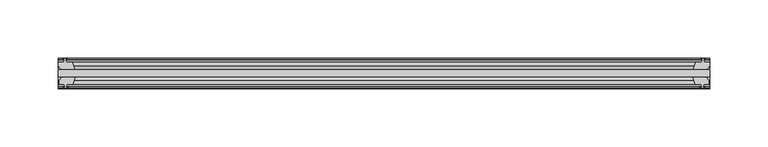
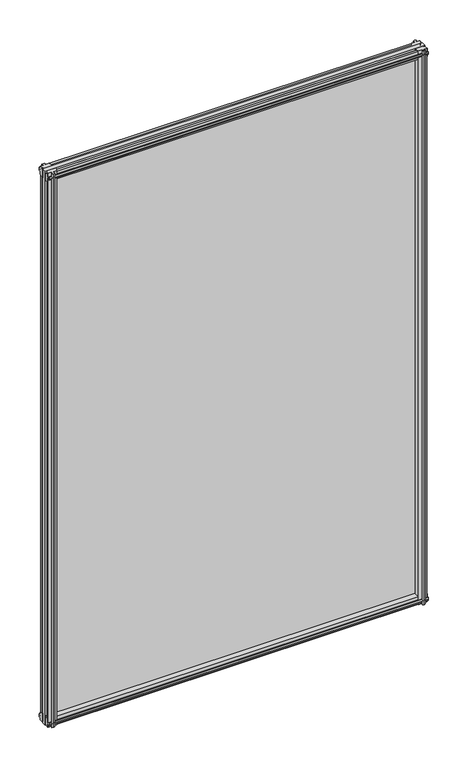
"""IFC4 building model written with IfcOpenShell, lengths in millimetres: plate geometry."""

from ifc_helpers import new_model, si_unit, frame, origin, place, context, project, spatial, polyline, outline, extrude, source, transform, mapped, element, save


def plate_fb738f77(model_context):
    return source(origin(), model_context, "Body", "SweptSolid", [
        extrude(outline(polyline([(-301.625, -19.5460937), (258.2664063, -19.5460937), (258.2664063, -25.8960937), (-301.625, -25.8960937), (-301.625, -19.5460937)])), frame((0.0, 0.0, -12.7), z_axis=(0.0, 0.0, 1.0), x_axis=(1.0, 0.0, 0.0)), (0.0, 0.0, 1.0), 863.6),
        extrude(outline(polyline([(255.29171, -25.8960937), (257.5044063, -29.2996938), (257.5044063, -32.2460938), (253.0594063, -32.2460938), (252.6784063, -34.6262907), (254.0939353, -34.1663575), (254.0939353, -34.9675717), (251.9164063, -35.6750938), (249.7388772, -34.9675717), (249.7388772, -34.1663575), (251.1544063, -34.6262907), (250.7734063, -32.2460938), (245.5664063, -32.2460938), (243.4611292, -25.8960937), (255.29171, -25.8960937)])), frame((0.0, 0.0, -12.7), z_axis=(0.0, 0.0, 1.0), x_axis=(1.0, 0.0, 0.0)), (0.0, 0.0, 1.0), 863.6),
        extrude(outline(polyline([(250.2595772, -10.4746158), (252.4371062, -9.7670938), (254.6146353, -10.4746158), (254.6146353, -11.27583), (253.1991062, -10.8158968), (253.5801062, -13.1960938), (258.0251062, -13.1960938), (258.0251062, -16.1424938), (255.81241, -19.5460937), (243.9818292, -19.5460937), (246.0871062, -13.1960938), (251.2941062, -13.1960938), (251.6751062, -10.8158968), (250.2595772, -11.27583), (250.2595772, -10.4746158)])), frame((0.0, 0.0, -12.7), z_axis=(0.0, 0.0, 1.0), x_axis=(1.0, 0.0, 0.0)), (0.0, 0.0, 1.0), 863.6),
        extrude(outline(polyline([(-286.8197229, -25.8960937), (-288.925, -32.2460937), (-294.132, -32.2460937), (-294.513, -34.6262907), (-293.0974709, -34.1663575), (-293.0974709, -34.9675717), (-295.275, -35.6750937), (-297.4525291, -34.9675717), (-297.4525291, -34.1663575), (-296.037, -34.6262907), (-296.418, -32.2460937), (-300.863, -32.2460937), (-300.863, -29.2996937), (-298.6503038, -25.8960937), (-286.8197229, -25.8960937)])), frame((0.0, 0.0, -12.7), z_axis=(0.0, 0.0, 1.0), x_axis=(1.0, 0.0, 0.0)), (0.0, 0.0, 1.0), 863.6),
        extrude(outline(polyline([(-296.5577, -10.8158968), (-297.973229, -11.27583), (-297.973229, -10.4746158), (-295.7957, -9.7670937), (-293.6181709, -10.4746158), (-293.6181709, -11.27583), (-295.0337, -10.8158968), (-294.6527, -13.1960937), (-289.4457, -13.1960937), (-287.3404229, -19.5460937), (-299.1710038, -19.5460937), (-301.3837, -16.1424937), (-301.3837, -13.1960937), (-296.9387, -13.1960937), (-296.5577, -10.8158968)])), frame((0.0, 0.0, -12.7), z_axis=(0.0, 0.0, 1.0), x_axis=(1.0, 0.0, 0.0)), (0.0, 0.0, 1.0), 863.6),
        extrude(outline(polyline([(-13.1960937, 850.6587), (-13.1960937, 846.2137), (-10.8158968, 845.8327), (-11.27583, 847.248229), (-10.4746158, 847.248229), (-9.7670937, 845.0707), (-10.4746158, 842.8931709), (-11.27583, 842.8931709), (-10.8158968, 844.3087), (-13.1960937, 843.9277), (-13.1960937, 838.7207), (-19.5460937, 836.6154229), (-19.5460937, 848.4460038), (-16.1424937, 850.6587), (-13.1960937, 850.6587)])), frame((-301.625, 0.0, 0.0), z_axis=(1.0, 0.0, 0.0), x_axis=(0.0, 1.0, 0.0)), (0.0, 0.0, 1.0), 559.8914062),
        extrude(outline(polyline([(-29.2996937, 850.138), (-25.8960937, 847.9253038), (-25.8960937, 836.0947229), (-32.2460937, 838.2), (-32.2460937, 843.407), (-34.6262907, 843.788), (-34.1663575, 842.3724709), (-34.9675717, 842.3724709), (-35.6750937, 844.55), (-34.9675717, 846.7275291), (-34.1663575, 846.7275291), (-34.6262907, 845.312), (-32.2460937, 845.693), (-32.2460937, 850.138), (-29.2996937, 850.138)])), frame((-301.625, 0.0, 0.0), z_axis=(1.0, 0.0, 0.0), x_axis=(0.0, 1.0, 0.0)), (0.0, 0.0, 1.0), 559.8914062),
        extrude(outline(polyline([(-25.8960937, 2.1052771), (-25.8960937, -9.7253038), (-29.2996937, -11.938), (-32.2460937, -11.938), (-32.2460937, -7.493), (-34.6262907, -7.112), (-34.1663575, -8.5275291), (-34.9675717, -8.5275291), (-35.6750937, -6.35), (-34.9675717, -4.1724709), (-34.1663575, -4.1724709), (-34.6262907, -5.588), (-32.2460937, -5.207), (-32.2460937, 0.0), (-25.8960937, 2.1052771)])), frame((-301.625, 0.0, 0.0), z_axis=(1.0, 0.0, 0.0), x_axis=(0.0, 1.0, 0.0)), (0.0, 0.0, 1.0), 559.8914062),
        extrude(outline(polyline([(-19.5460937, 1.5845771), (-13.1960937, -0.5207), (-13.1960937, -5.7277), (-10.8158968, -6.1087), (-11.27583, -4.6931709), (-10.4746158, -4.6931709), (-9.7670937, -6.8707), (-10.4746158, -9.048229), (-11.27583, -9.048229), (-10.8158968, -7.6327), (-13.1960937, -8.0137), (-13.1960937, -12.4587), (-16.1424937, -12.4587), (-19.5460937, -10.2460038), (-19.5460937, 1.5845771)])), frame((-301.625, 0.0, 0.0), z_axis=(1.0, 0.0, 0.0), x_axis=(0.0, 1.0, 0.0)), (0.0, 0.0, 1.0), 559.8914062),
    ])


if __name__ == "__main__":
    model = new_model("IFC4")
    model_context = context("Model", 3, world=origin())
    ifc_project = project(units=[si_unit("LENGTHUNIT", "METRE", prefix="MILLI")], contexts=[model_context])
    site = spatial("IfcSite", under=ifc_project)
    building = spatial("IfcBuilding", under=site)
    placement = place(None, origin())
    plate_shape = plate_fb738f77(model_context)
    element("IfcPlate", 1, at=placement, inside=building, context=model_context, shape_type="MappedRepresentation", body=[
        mapped(plate_shape, transform((0.0, 0.0, 0.0), x_axis=(1.0, 0.0, 0.0), y_axis=(0.0, 1.0, 0.0), z_axis=(0.0, 0.0, 1.0))),
    ])
    save(model, "model.ifc")
